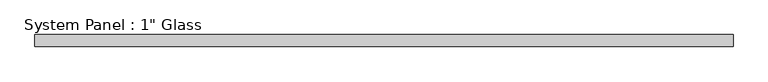
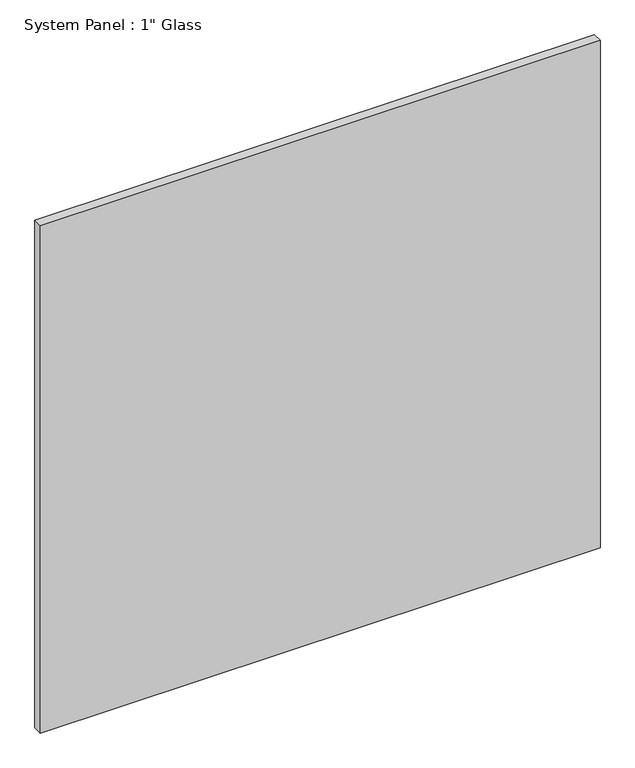
"""IFC4 building model written with IfcOpenShell, lengths in millimetres: plate geometry."""

from ifc_helpers import new_model, si_unit, origin, origin_with_axes, place, context, project, spatial, polyline, outline, extrude, source, transform, mapped, element, save


def plate_2824db63(model_context):
    return source(origin(), model_context, "Body", "SweptSolid", [
        extrude(outline(polyline([(734.0055865, -12.7), (-734.0055865, -12.7), (-734.0055865, 12.7), (734.0055865, 12.7), (734.0055865, -12.7)])), origin_with_axes(), (0.0, 0.0, 1.0), 1407.0511731),
    ])


if __name__ == "__main__":
    model = new_model("IFC4")
    model_context = context("Model", 3, world=origin())
    ifc_project = project(units=[si_unit("LENGTHUNIT", "METRE", prefix="MILLI")], contexts=[model_context])
    site = spatial("IfcSite", under=ifc_project)
    building = spatial("IfcBuilding", under=site)
    placement = place(None, origin())
    plate_shape = plate_2824db63(model_context)
    element("IfcPlate", 1, ObjectType="System Panel : 1\" Glass", at=placement, inside=building, context=model_context, shape_type="MappedRepresentation", body=[
        mapped(plate_shape, transform((0.0, 0.0, 0.0), x_axis=(1.0, 0.0, 0.0), y_axis=(0.0, 1.0, 0.0), z_axis=(0.0, 0.0, 1.0))),
    ])
    save(model, "model.ifc")
